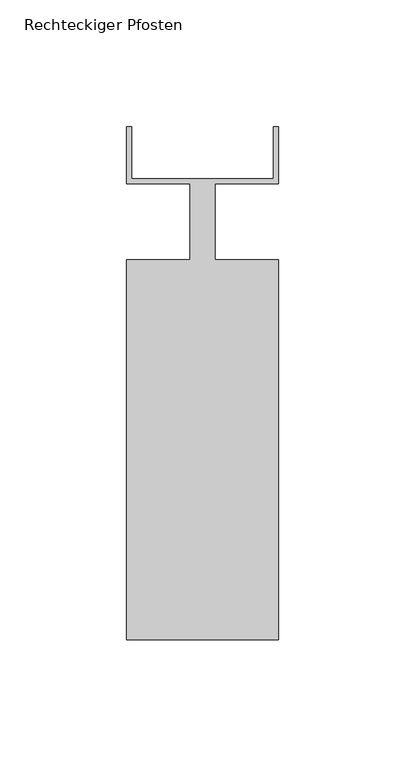
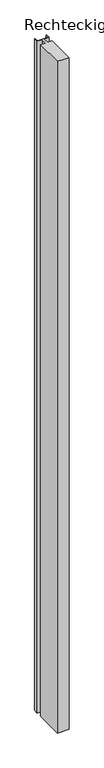
"""IFC4 building model written with IfcOpenShell, lengths in millimetres: member geometry, Rechteckiger Pfosten."""

import ifcopenshell
import ifcopenshell.guid

model = None  # the IFC model being written
_history = None  # IfcOwnerHistory: only IFC2X3 demands one
_inside = {}  # id of a spatial element -> (the spatial element, [elements in it])
_under = {}  # id of a project, library or spatial element -> (it, [spatial elements below it])
_declared = {}  # id of a project -> (the project, [libraries it declares])
_typed = {}  # id of a type object -> (the type object, [elements of that type])
_made_of = {}  # id of a material, layer set ... -> (it, [elements and type objects made of it])


def new_model(schema):
    """Start an empty IFC model of exactly this schema.

    Asked for "IFC4X3", IfcOpenShell would pick the latest addendum, in which some entities
    have other attributes; the version numbers below select the first issue.
    IFC2X3 requires an IfcOwnerHistory on every rooted entity: one is made here for all.
    """
    global model, _history
    if schema == "IFC4X3":
        model = ifcopenshell.file(schema_version=(4, 3, 0, 0))
    else:
        model = ifcopenshell.file(schema=schema)
    _inside.clear()
    _under.clear()
    _declared.clear()
    _typed.clear()
    _made_of.clear()
    _history = None
    if model.schema == "IFC2X3":
        org = make("IfcOrganization", Name="unknown")
        user = make(
            "IfcPersonAndOrganization",
            ThePerson=make("IfcPerson", FamilyName="unknown"),
            TheOrganization=org,
        )
        app = make(
            "IfcApplication",
            ApplicationDeveloper=org,
            Version="unknown",
            ApplicationFullName="unknown",
            ApplicationIdentifier="unknown",
        )
        _history = make(
            "IfcOwnerHistory",
            OwningUser=user,
            OwningApplication=app,
            ChangeAction="ADDED",
            CreationDate=0,
        )
    return model


def make(cls, **values):
    """One entity of the class cls with the attributes given. An attribute that is None is left unset."""
    return model.create_entity(
        cls, **{name: value for name, value in values.items() if value is not None}
    )


def rooted(cls, **values):
    """An entity with a GlobalId (a new one), such as an element, a storey or a relation."""
    return make(cls, GlobalId=ifcopenshell.guid.new(), OwnerHistory=_history, **values)


def si_unit(unit_type, name, prefix=None):
    """IfcSIUnit, for example si_unit("LENGTHUNIT", "METRE", prefix="MILLI")."""
    return make("IfcSIUnit", UnitType=unit_type, Prefix=prefix, Name=name)


def assignment(units):
    """IfcUnitAssignment: the units of a project."""
    return None if units is None else make("IfcUnitAssignment", Units=units)


def point(xyz):
    """IfcCartesianPoint."""
    return None if xyz is None else make("IfcCartesianPoint", Coordinates=xyz)


def direction(xyz):
    """IfcDirection."""
    return None if xyz is None else make("IfcDirection", DirectionRatios=xyz)


def frame(location, z_axis=None, x_axis=None):
    """IfcAxis2Placement3D, a coordinate frame: its origin and axes. An axis left out is left unset."""
    return make(
        "IfcAxis2Placement3D",
        Location=point(location),
        Axis=direction(z_axis),
        RefDirection=direction(x_axis),
    )


def origin():
    """The frame at (0, 0, 0) with its axes left unset."""
    return frame((0.0, 0.0, 0.0))


def place(relative_to, where):
    """IfcLocalPlacement: puts the frame where relative to a parent placement (None: the world)."""
    return make(
        "IfcLocalPlacement", PlacementRelTo=relative_to, RelativePlacement=where
    )


def context(
    kind, dimensions, precision=None, world=None, true_north=None, identifier=None
):
    """IfcGeometricRepresentationContext, for example the 3D "Model" context."""
    return make(
        "IfcGeometricRepresentationContext",
        ContextIdentifier=identifier,
        ContextType=kind,
        CoordinateSpaceDimension=dimensions,
        Precision=precision,
        WorldCoordinateSystem=world,
        TrueNorth=true_north,
    )


def project(units=None, contexts=None):
    """IfcProject with its units and contexts."""
    return rooted(
        "IfcProject",
        Name="project",
        RepresentationContexts=contexts,
        UnitsInContext=assignment(units),
    )


def spatial(cls, under=None, at=None, **own):
    """A site, building, storey or space (cls), placed at a placement, below another one or the project."""
    s = rooted(cls, ObjectPlacement=at, **own)
    if under is not None:
        _under.setdefault(under.id(), (under, []))[1].append(s)
    return s


def polyline(points):
    """IfcPolyline through the points."""
    return make("IfcPolyline", Points=[point(p) for p in points])


def outline(outer, holes=None, kind="AREA"):
    """IfcArbitraryClosedProfileDef: a profile drawn as a closed curve; with holes, ...WithVoids."""
    if holes is None:
        return make("IfcArbitraryClosedProfileDef", ProfileType=kind, OuterCurve=outer)
    return make(
        "IfcArbitraryProfileDefWithVoids",
        ProfileType=kind,
        OuterCurve=outer,
        InnerCurves=holes,
    )


def extrude(swept, where, along, depth):
    """IfcExtrudedAreaSolid: the profile swept, set in the frame where, extruded along a direction by depth."""
    return make(
        "IfcExtrudedAreaSolid",
        SweptArea=swept,
        Position=where,
        ExtrudedDirection=direction(along),
        Depth=depth,
    )


def shape(context_of_items, identifier, shape_type, items):
    """IfcShapeRepresentation: the items that make up one representation, for example the "Body"."""
    return make(
        "IfcShapeRepresentation",
        ContextOfItems=context_of_items,
        RepresentationIdentifier=identifier,
        RepresentationType=shape_type,
        Items=items,
    )


def source(mapping_origin, context_of_items, identifier, shape_type, items):
    """IfcRepresentationMap: a shape defined once, which mapped items show again and again."""
    return make(
        "IfcRepresentationMap",
        MappingOrigin=mapping_origin,
        MappedRepresentation=shape(context_of_items, identifier, shape_type, items),
    )


def transform(
    local_origin,
    x_axis=None,
    y_axis=None,
    z_axis=None,
    scale=None,
    scale2=None,
    scale3=None,
    uniform=True,
):
    """IfcCartesianTransformationOperator3D, or its non-uniform kind. x_axis, y_axis, z_axis: its Axis1, 2, 3."""
    if uniform:
        return make(
            "IfcCartesianTransformationOperator3D",
            Axis1=direction(x_axis),
            Axis2=direction(y_axis),
            LocalOrigin=point(local_origin),
            Scale=scale,
            Axis3=direction(z_axis),
        )
    return make(
        "IfcCartesianTransformationOperator3DnonUniform",
        Axis1=direction(x_axis),
        Axis2=direction(y_axis),
        LocalOrigin=point(local_origin),
        Scale=scale,
        Axis3=direction(z_axis),
        Scale2=scale2,
        Scale3=scale3,
    )


def mapped(mapping_source, mapping_target):
    """IfcMappedItem: shows the shape of a source again, moved by a transform."""
    return make(
        "IfcMappedItem", MappingSource=mapping_source, MappingTarget=mapping_target
    )


def made_of(thing, what):
    """Note that an element or type object is made of a material, layer set ...; save() writes the relation."""
    if what is not None:
        _made_of.setdefault(what.id(), (what, []))[1].append(thing)
    return thing


def element(
    cls,
    number,
    at=None,
    inside=None,
    cuts=None,
    type_object=None,
    material=None,
    context=None,
    identifier="Body",
    shape_type=None,
    held_by="IfcProductDefinitionShape",
    body=None,
    shapes=None,
    **own,
):
    """One element of the class cls, such as IfcWall. Its Tag is "e" and its number.

    at: its placement. inside: the storey or other place that contains it. cuts: it is an
    opening in that element (IfcRelVoidsElement). A single representation is given by context,
    identifier, shape_type and body (its items); several are given by shapes. held_by: the class
    of the entity that holds the representations. save() writes the other relations.
    """
    e = rooted(cls, Tag="e%d" % number, ObjectPlacement=at, **own)
    if body is not None:
        shapes = [shape(context, identifier, shape_type, body)]
    if shapes is not None:
        e.Representation = make(held_by, Representations=shapes)
    if inside is not None:
        _inside.setdefault(inside.id(), (inside, []))[1].append(e)
    if cuts is not None:
        rooted(
            "IfcRelVoidsElement", RelatingBuildingElement=cuts, RelatedOpeningElement=e
        )
    if type_object is not None:
        _typed.setdefault(type_object.id(), (type_object, []))[1].append(e)
    return made_of(e, material)


def aggregate(whole, parts):
    """IfcRelAggregates: a whole, such as a stair, and the parts it consists of."""
    return rooted("IfcRelAggregates", RelatingObject=whole, RelatedObjects=parts)


def save(model, path):
    """Write the relations noted so far, then the file.

    IfcRelAggregates (storeys below a building ...), IfcRelContainedInSpatialStructure (elements
    in a storey), IfcRelDefinesByType, IfcRelAssociatesMaterial and IfcRelDeclares: one each for
    every whole, place, type object, material and project.
    """
    for whole, parts in _under.values():
        aggregate(whole, parts)
    for where, things in _inside.values():
        rooted(
            "IfcRelContainedInSpatialStructure",
            RelatedElements=things,
            RelatingStructure=where,
        )
    for kind, things in _typed.values():
        rooted("IfcRelDefinesByType", RelatedObjects=things, RelatingType=kind)
    for what, things in _made_of.values():
        rooted("IfcRelAssociatesMaterial", RelatedObjects=things, RelatingMaterial=what)
    for by, libraries in _declared.values():
        rooted("IfcRelDeclares", RelatingContext=by, RelatedDefinitions=libraries)
    model.write(path)


def rechteckiger_pfosten_af64061b(model_context):
    return source(origin(), model_context, "Body", "SweptSolid", [
        extrude(outline(polyline([(-2.0, 37.5), (0.0, 37.5), (0.0, 15.0), (-25.0, 15.0), (-25.0, -15.0), (0.0, -15.0), (0.0, -165.0), (-60.0, -165.0), (-60.0, -15.0), (-35.0, -15.0), (-35.0, 15.0), (-60.0, 15.0), (-60.0, 37.5), (-58.0, 37.5), (-58.0, 17.0), (-2.0, 17.0), (-2.0, 37.5)])), frame((0.0, 0.0, -3650.0), z_axis=(0.0, 0.0, 1.0), x_axis=(1.0, 0.0, 0.0)), (0.0, 0.0, 1.0), 3650.0),
    ])


if __name__ == "__main__":
    model = new_model("IFC4")
    model_context = context("Model", 3, world=origin())
    ifc_project = project(units=[si_unit("LENGTHUNIT", "METRE", prefix="MILLI")], contexts=[model_context])
    site = spatial("IfcSite", under=ifc_project)
    building = spatial("IfcBuilding", under=site)
    placement = place(None, origin())
    rechteckiger_pfosten_shape = rechteckiger_pfosten_af64061b(model_context)
    element("IfcMember", 1, ObjectType="Rechteckiger Pfosten", at=placement, inside=building, context=model_context, shape_type="MappedRepresentation", body=[
        mapped(rechteckiger_pfosten_shape, transform((0.0, 0.0, 0.0), x_axis=(1.0, 0.0, 0.0), y_axis=(0.0, 1.0, 0.0), z_axis=(0.0, 0.0, 1.0))),
    ])
    save(model, "model.ifc")
